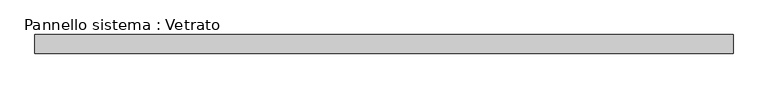
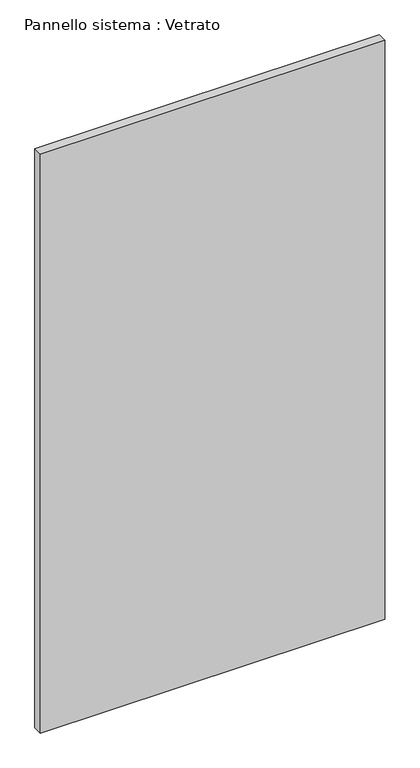
"""IFC4 building model written with IfcOpenShell, lengths in millimetres: plate geometry, Pannello sistema : Vetrato."""

from ifc_helpers import new_model, si_unit, origin, origin_with_axes, place, context, project, spatial, polyline, outline, extrude, source, transform, mapped, element, save


def pannello_sistema_vetrato_7866a5d4(model_context):
    return source(origin(), model_context, "Body", "SweptSolid", [
        extrude(outline(polyline([(550.1261251, -15.0), (-550.1261251, -15.0), (-550.1261251, 15.0), (550.1261251, 15.0), (550.1261251, -15.0)])), origin_with_axes(), (0.0, 0.0, 1.0), 1955.0),
    ])


if __name__ == "__main__":
    model = new_model("IFC4")
    model_context = context("Model", 3, world=origin())
    ifc_project = project(units=[si_unit("LENGTHUNIT", "METRE", prefix="MILLI")], contexts=[model_context])
    site = spatial("IfcSite", under=ifc_project)
    building = spatial("IfcBuilding", under=site)
    placement = place(None, origin())
    pannello_sistema_vetrato_shape = pannello_sistema_vetrato_7866a5d4(model_context)
    element("IfcPlate", 1, ObjectType="Pannello sistema : Vetrato", at=placement, inside=building, context=model_context, shape_type="MappedRepresentation", body=[
        mapped(pannello_sistema_vetrato_shape, transform((0.0, 0.0, 0.0), x_axis=(1.0, 0.0, 0.0), y_axis=(0.0, 1.0, 0.0), z_axis=(0.0, 0.0, 1.0))),
    ])
    save(model, "model.ifc")
